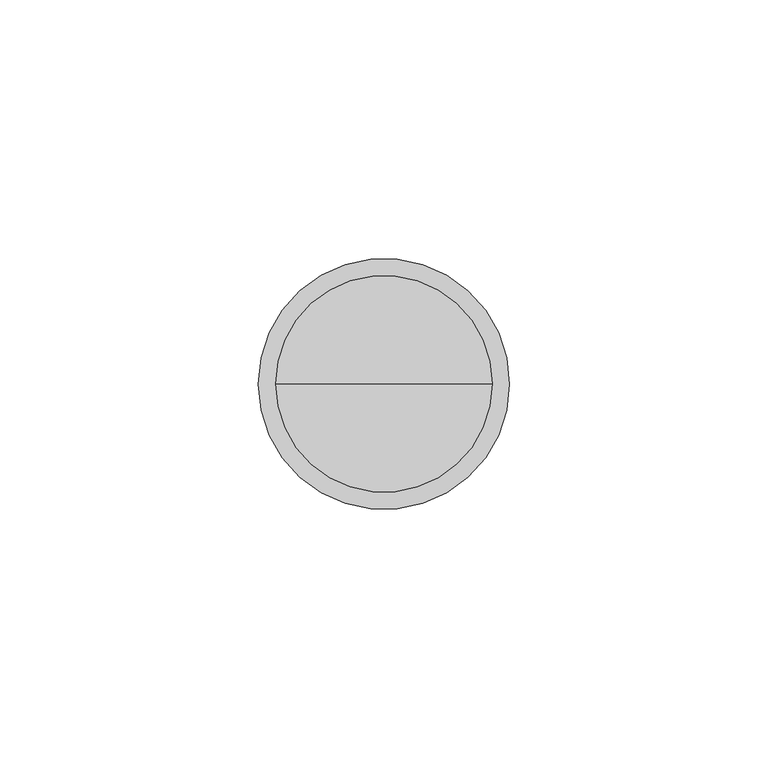
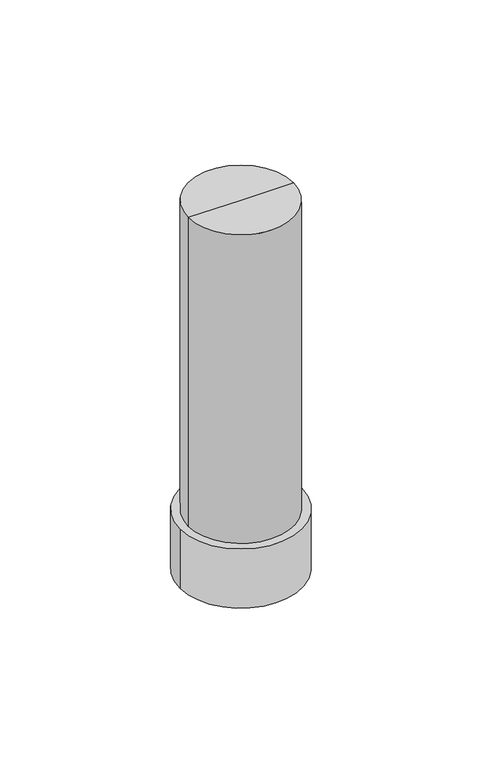
"""IFC4 building model written with IfcOpenShell, lengths in millimetres: proxy geometry."""

import ifcopenshell
import ifcopenshell.guid

model = None  # the IFC model being written
_history = None  # IfcOwnerHistory: only IFC2X3 demands one
_inside = {}  # id of a spatial element -> (the spatial element, [elements in it])
_under = {}  # id of a project, library or spatial element -> (it, [spatial elements below it])
_declared = {}  # id of a project -> (the project, [libraries it declares])
_typed = {}  # id of a type object -> (the type object, [elements of that type])
_made_of = {}  # id of a material, layer set ... -> (it, [elements and type objects made of it])


def new_model(schema):
    """Start an empty IFC model of exactly this schema.

    Asked for "IFC4X3", IfcOpenShell would pick the latest addendum, in which some entities
    have other attributes; the version numbers below select the first issue.
    IFC2X3 requires an IfcOwnerHistory on every rooted entity: one is made here for all.
    """
    global model, _history
    if schema == "IFC4X3":
        model = ifcopenshell.file(schema_version=(4, 3, 0, 0))
    else:
        model = ifcopenshell.file(schema=schema)
    _inside.clear()
    _under.clear()
    _declared.clear()
    _typed.clear()
    _made_of.clear()
    _history = None
    if model.schema == "IFC2X3":
        org = make("IfcOrganization", Name="unknown")
        user = make(
            "IfcPersonAndOrganization",
            ThePerson=make("IfcPerson", FamilyName="unknown"),
            TheOrganization=org,
        )
        app = make(
            "IfcApplication",
            ApplicationDeveloper=org,
            Version="unknown",
            ApplicationFullName="unknown",
            ApplicationIdentifier="unknown",
        )
        _history = make(
            "IfcOwnerHistory",
            OwningUser=user,
            OwningApplication=app,
            ChangeAction="ADDED",
            CreationDate=0,
        )
    return model


def make(cls, **values):
    """One entity of the class cls with the attributes given. An attribute that is None is left unset."""
    return model.create_entity(
        cls, **{name: value for name, value in values.items() if value is not None}
    )


def rooted(cls, **values):
    """An entity with a GlobalId (a new one), such as an element, a storey or a relation."""
    return make(cls, GlobalId=ifcopenshell.guid.new(), OwnerHistory=_history, **values)


def si_unit(unit_type, name, prefix=None):
    """IfcSIUnit, for example si_unit("LENGTHUNIT", "METRE", prefix="MILLI")."""
    return make("IfcSIUnit", UnitType=unit_type, Prefix=prefix, Name=name)


def assignment(units):
    """IfcUnitAssignment: the units of a project."""
    return None if units is None else make("IfcUnitAssignment", Units=units)


def point(xyz):
    """IfcCartesianPoint."""
    return None if xyz is None else make("IfcCartesianPoint", Coordinates=xyz)


def direction(xyz):
    """IfcDirection."""
    return None if xyz is None else make("IfcDirection", DirectionRatios=xyz)


def frame(location, z_axis=None, x_axis=None):
    """IfcAxis2Placement3D, a coordinate frame: its origin and axes. An axis left out is left unset."""
    return make(
        "IfcAxis2Placement3D",
        Location=point(location),
        Axis=direction(z_axis),
        RefDirection=direction(x_axis),
    )


def frame_2d(location, x_axis=None):
    """IfcAxis2Placement2D, a coordinate frame in the plane: its origin and x axis."""
    return make(
        "IfcAxis2Placement2D", Location=point(location), RefDirection=direction(x_axis)
    )


def origin():
    """The frame at (0, 0, 0) with its axes left unset."""
    return frame((0.0, 0.0, 0.0))


def origin_2d():
    """The frame at (0, 0) in the plane with its x axis left unset."""
    return frame_2d((0.0, 0.0))


def place(relative_to, where):
    """IfcLocalPlacement: puts the frame where relative to a parent placement (None: the world)."""
    return make(
        "IfcLocalPlacement", PlacementRelTo=relative_to, RelativePlacement=where
    )


def context(
    kind, dimensions, precision=None, world=None, true_north=None, identifier=None
):
    """IfcGeometricRepresentationContext, for example the 3D "Model" context."""
    return make(
        "IfcGeometricRepresentationContext",
        ContextIdentifier=identifier,
        ContextType=kind,
        CoordinateSpaceDimension=dimensions,
        Precision=precision,
        WorldCoordinateSystem=world,
        TrueNorth=true_north,
    )


def project(units=None, contexts=None):
    """IfcProject with its units and contexts."""
    return rooted(
        "IfcProject",
        Name="project",
        RepresentationContexts=contexts,
        UnitsInContext=assignment(units),
    )


def spatial(cls, under=None, at=None, **own):
    """A site, building, storey or space (cls), placed at a placement, below another one or the project."""
    s = rooted(cls, ObjectPlacement=at, **own)
    if under is not None:
        _under.setdefault(under.id(), (under, []))[1].append(s)
    return s


def circle_curve(where, radius):
    """IfcCircle in the frame where."""
    return make("IfcCircle", Position=where, Radius=radius)


def trimmed(basis, trim1, trim2, sense, master):
    """IfcTrimmedCurve: the piece of a basis curve between two trims."""
    return make(
        "IfcTrimmedCurve",
        BasisCurve=basis,
        Trim1=trim1,
        Trim2=trim2,
        SenseAgreement=sense,
        MasterRepresentation=master,
    )


def segment(curve, same_sense, transition):
    """IfcCompositeCurveSegment."""
    return make(
        "IfcCompositeCurveSegment",
        Transition=transition,
        SameSense=same_sense,
        ParentCurve=curve,
    )


def composite_curve(segments, self_intersect=None):
    """IfcCompositeCurve: segments joined end to end."""
    return make("IfcCompositeCurve", Segments=segments, SelfIntersect=self_intersect)


def outline(outer, holes=None, kind="AREA"):
    """IfcArbitraryClosedProfileDef: a profile drawn as a closed curve; with holes, ...WithVoids."""
    if holes is None:
        return make("IfcArbitraryClosedProfileDef", ProfileType=kind, OuterCurve=outer)
    return make(
        "IfcArbitraryProfileDefWithVoids",
        ProfileType=kind,
        OuterCurve=outer,
        InnerCurves=holes,
    )


def extrude(swept, where, along, depth):
    """IfcExtrudedAreaSolid: the profile swept, set in the frame where, extruded along a direction by depth."""
    return make(
        "IfcExtrudedAreaSolid",
        SweptArea=swept,
        Position=where,
        ExtrudedDirection=direction(along),
        Depth=depth,
    )


def shape(context_of_items, identifier, shape_type, items):
    """IfcShapeRepresentation: the items that make up one representation, for example the "Body"."""
    return make(
        "IfcShapeRepresentation",
        ContextOfItems=context_of_items,
        RepresentationIdentifier=identifier,
        RepresentationType=shape_type,
        Items=items,
    )


def source(mapping_origin, context_of_items, identifier, shape_type, items):
    """IfcRepresentationMap: a shape defined once, which mapped items show again and again."""
    return make(
        "IfcRepresentationMap",
        MappingOrigin=mapping_origin,
        MappedRepresentation=shape(context_of_items, identifier, shape_type, items),
    )


def transform(
    local_origin,
    x_axis=None,
    y_axis=None,
    z_axis=None,
    scale=None,
    scale2=None,
    scale3=None,
    uniform=True,
):
    """IfcCartesianTransformationOperator3D, or its non-uniform kind. x_axis, y_axis, z_axis: its Axis1, 2, 3."""
    if uniform:
        return make(
            "IfcCartesianTransformationOperator3D",
            Axis1=direction(x_axis),
            Axis2=direction(y_axis),
            LocalOrigin=point(local_origin),
            Scale=scale,
            Axis3=direction(z_axis),
        )
    return make(
        "IfcCartesianTransformationOperator3DnonUniform",
        Axis1=direction(x_axis),
        Axis2=direction(y_axis),
        LocalOrigin=point(local_origin),
        Scale=scale,
        Axis3=direction(z_axis),
        Scale2=scale2,
        Scale3=scale3,
    )


def mapped(mapping_source, mapping_target):
    """IfcMappedItem: shows the shape of a source again, moved by a transform."""
    return make(
        "IfcMappedItem", MappingSource=mapping_source, MappingTarget=mapping_target
    )


def made_of(thing, what):
    """Note that an element or type object is made of a material, layer set ...; save() writes the relation."""
    if what is not None:
        _made_of.setdefault(what.id(), (what, []))[1].append(thing)
    return thing


def element(
    cls,
    number,
    at=None,
    inside=None,
    cuts=None,
    type_object=None,
    material=None,
    context=None,
    identifier="Body",
    shape_type=None,
    held_by="IfcProductDefinitionShape",
    body=None,
    shapes=None,
    **own,
):
    """One element of the class cls, such as IfcWall. Its Tag is "e" and its number.

    at: its placement. inside: the storey or other place that contains it. cuts: it is an
    opening in that element (IfcRelVoidsElement). A single representation is given by context,
    identifier, shape_type and body (its items); several are given by shapes. held_by: the class
    of the entity that holds the representations. save() writes the other relations.
    """
    e = rooted(cls, Tag="e%d" % number, ObjectPlacement=at, **own)
    if body is not None:
        shapes = [shape(context, identifier, shape_type, body)]
    if shapes is not None:
        e.Representation = make(held_by, Representations=shapes)
    if inside is not None:
        _inside.setdefault(inside.id(), (inside, []))[1].append(e)
    if cuts is not None:
        rooted(
            "IfcRelVoidsElement", RelatingBuildingElement=cuts, RelatedOpeningElement=e
        )
    if type_object is not None:
        _typed.setdefault(type_object.id(), (type_object, []))[1].append(e)
    return made_of(e, material)


def aggregate(whole, parts):
    """IfcRelAggregates: a whole, such as a stair, and the parts it consists of."""
    return rooted("IfcRelAggregates", RelatingObject=whole, RelatedObjects=parts)


def save(model, path):
    """Write the relations noted so far, then the file.

    IfcRelAggregates (storeys below a building ...), IfcRelContainedInSpatialStructure (elements
    in a storey), IfcRelDefinesByType, IfcRelAssociatesMaterial and IfcRelDeclares: one each for
    every whole, place, type object, material and project.
    """
    for whole, parts in _under.values():
        aggregate(whole, parts)
    for where, things in _inside.values():
        rooted(
            "IfcRelContainedInSpatialStructure",
            RelatedElements=things,
            RelatingStructure=where,
        )
    for kind, things in _typed.values():
        rooted("IfcRelDefinesByType", RelatedObjects=things, RelatingType=kind)
    for what, things in _made_of.values():
        rooted("IfcRelAssociatesMaterial", RelatedObjects=things, RelatingMaterial=what)
    for by, libraries in _declared.values():
        rooted("IfcRelDeclares", RelatingContext=by, RelatedDefinitions=libraries)
    model.write(path)


def plane_surface(at):
    """IfcPlane: the flat surface through the origin of the frame at, square to its z axis."""
    return make("IfcPlane", Position=at)


def cylinder_surface(at, radius):
    """IfcCylindricalSurface: all points at the distance radius from the z axis of the frame at."""
    return make("IfcCylindricalSurface", Position=at, Radius=radius)


def advanced_brep(points, edges, surfaces, faces):
    """IfcAdvancedBrep: a solid bounded by faces that lie on surfaces and meet in shared edges.

    An edge is (start, end): straight between two places in points (the first is 0);
    or (start, end, curve); or (start, end, curve, False) where it runs against its curve.
    A face is (place in surfaces, loops), or (place, loops, False) where it looks against
    its surface's normal. A loop lists edges by number (the first is 1), with a minus sign
    where the edge is run from its end to its start. The first loop is the outer one.
    """
    corners = [point(p) for p in points]
    vertices = [make("IfcVertexPoint", VertexGeometry=c) for c in corners]
    made = []
    for start, end, *more in edges:
        made.append(
            make(
                "IfcEdgeCurve",
                EdgeStart=vertices[start],
                EdgeEnd=vertices[end],
                EdgeGeometry=more[0] if more else make("IfcPolyline", Points=[corners[start], corners[end]]),
                SameSense=more[1] if len(more) > 1 else True,
            )
        )
    hull = []
    for where, loops, *sense in faces:
        bounds = []
        for j, loop in enumerate(loops):
            ring = [make("IfcOrientedEdge", EdgeElement=made[abs(k) - 1], Orientation=k > 0) for k in loop]
            bounds.append(
                make(
                    "IfcFaceOuterBound" if j == 0 else "IfcFaceBound",
                    Bound=make("IfcEdgeLoop", EdgeList=ring),
                    Orientation=True,
                )
            )
        hull.append(make("IfcAdvancedFace", Bounds=bounds, FaceSurface=surfaces[where], SameSense=sense[0] if sense else True))
    return make("IfcAdvancedBrep", Outer=make("IfcClosedShell", CfsFaces=hull))


def generic_models_8e92d8ea(model_context):
    return source(origin(), model_context, "Body", "SolidModel", [
        advanced_brep(
        [(-20.95, 0.0, 1930.0), (20.95, 0.0, 1930.0), (20.95, 0.0, 1800.0), (-20.95, 0.0, 1800.0), (0.0, 0.0, 1930.0), (0.0, 0.0, 1800.0)],
        [
            (0, 1, circle_curve(frame((0.0, 0.0, 1930.0), z_axis=(0.0, 0.0, -1.0), x_axis=(1.0, 0.0, 0.0)), 20.95)),
            (1, 2),
            (2, 3, circle_curve(frame((0.0, 0.0, 1800.0), z_axis=(0.0, 0.0, 1.0), x_axis=(1.0, 0.0, 0.0)), 20.95)),
            (3, 0),
            (1, 0, circle_curve(frame((0.0, 0.0, 1930.0), z_axis=(0.0, 0.0, -1.0), x_axis=(1.0, 0.0, 0.0)), 20.95)),
            (3, 2, circle_curve(frame((0.0, 0.0, 1800.0), z_axis=(0.0, 0.0, 1.0), x_axis=(1.0, 0.0, 0.0)), 20.95)),
            (4, 1),
            (0, 4),
            (2, 5),
            (5, 3),
        ],
        [
            cylinder_surface(frame((0.0, 0.0, 1775.0), z_axis=(0.0, 0.0, 1.0), x_axis=(1.0, 0.0, 0.0)), 20.95),
            plane_surface(frame((0.0, 0.0, 1930.0), z_axis=(0.0, 0.0, 1.0), x_axis=(1.0, 0.0, 0.0))),
            plane_surface(frame((0.0, 0.0, 1800.0), z_axis=(0.0, 0.0, -1.0), x_axis=(1.0, 0.0, 0.0))),
        ],
        [
            (0, [[1, 2, 3, 4]]),
            (0, [[5, -4, 6, -2]]),
            (1, [[7, -1, 8]]),
            (1, [[-8, -5, -7]]),
            (2, [[-3, 9, 10]]),
            (2, [[-6, -10, -9]]),
        ],
    ),
        extrude(outline(composite_curve([segment(trimmed(circle_curve(origin_2d(), 24.3), [point((-24.3, 0.0))], [point((24.3, 0.0))], False, "CARTESIAN"), True, "CONTINUOUS"), segment(trimmed(circle_curve(origin_2d(), 24.3), [point((24.3, 0.0))], [point((-24.3, 0.0))], False, "CARTESIAN"), True, "CONTINUOUS")], self_intersect=False)), frame((0.0, 0.0, 1775.0), z_axis=(0.0, 0.0, 1.0), x_axis=(1.0, 0.0, 0.0)), (0.0, 0.0, 1.0), 25.0),
    ])


if __name__ == "__main__":
    model = new_model("IFC4")
    model_context = context("Model", 3, world=origin())
    ifc_project = project(units=[si_unit("LENGTHUNIT", "METRE", prefix="MILLI")], contexts=[model_context])
    site = spatial("IfcSite", under=ifc_project)
    building = spatial("IfcBuilding", under=site)
    placement = place(None, origin())
    generic_models_shape = generic_models_8e92d8ea(model_context)
    element("IfcBuildingElementProxy", 1, Name="Generic Models", at=placement, inside=building, context=model_context, shape_type="MappedRepresentation", body=[
        mapped(generic_models_shape, transform((0.0, 0.0, 0.0), x_axis=(1.0, 0.0, 0.0), y_axis=(0.0, 1.0, 0.0), z_axis=(0.0, 0.0, 1.0))),
    ])
    save(model, "model.ifc")
